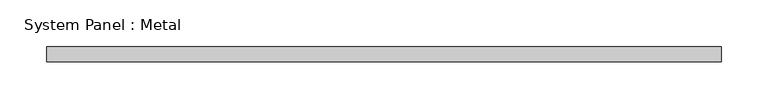
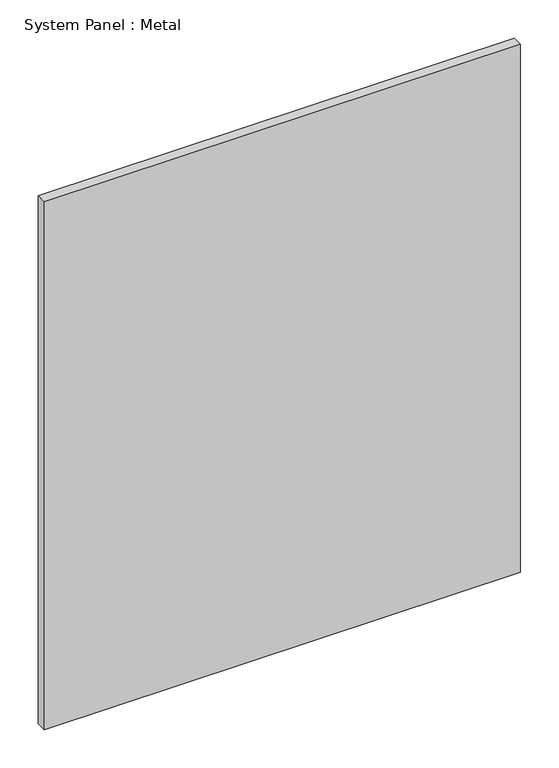
"""IFC4 building model written with IfcOpenShell, lengths in millimetres: plate geometry, System Panel : Metal."""

from ifc_helpers import new_model, si_unit, origin, origin_with_axes, place, context, project, spatial, polyline, outline, extrude, source, transform, mapped, element, save


def system_panel_metal_4745a807(model_context):
    return source(origin(), model_context, "Body", "SweptSolid", [
        extrude(outline(polyline([(360.4542817, -85.0), (-360.4542817, -85.0), (-360.4542817, -69.0), (360.4542817, -69.0), (360.4542817, -85.0)])), origin_with_axes(), (0.0, 0.0, 1.0), 845.0),
    ])


if __name__ == "__main__":
    model = new_model("IFC4")
    model_context = context("Model", 3, world=origin())
    ifc_project = project(units=[si_unit("LENGTHUNIT", "METRE", prefix="MILLI")], contexts=[model_context])
    site = spatial("IfcSite", under=ifc_project)
    building = spatial("IfcBuilding", under=site)
    placement = place(None, origin())
    system_panel_metal_shape = system_panel_metal_4745a807(model_context)
    element("IfcPlate", 1, ObjectType="System Panel : Metal", at=placement, inside=building, context=model_context, shape_type="MappedRepresentation", body=[
        mapped(system_panel_metal_shape, transform((0.0, 0.0, 0.0), x_axis=(1.0, 0.0, 0.0), y_axis=(0.0, 1.0, 0.0), z_axis=(0.0, 0.0, 1.0))),
    ])
    save(model, "model.ifc")
